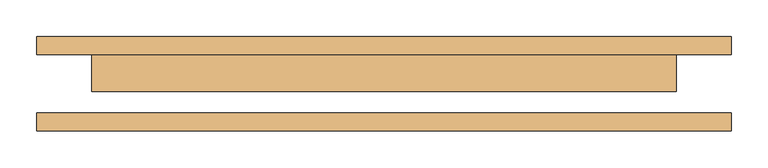
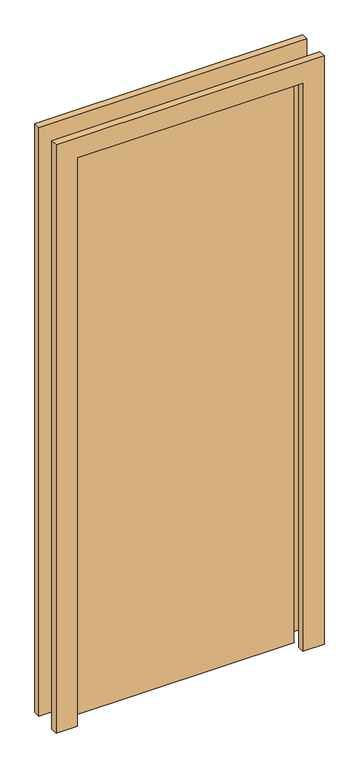
"""IFC4 building model written with IfcOpenShell, lengths in millimetres: door geometry."""

from ifc_helpers import new_model, si_unit, frame, origin, origin_with_axes, place, context, project, spatial, polyline, outline, extrude, source, transform, mapped, element, save


def door_342aede9(model_context):
    return source(origin(), model_context, "Body", "SweptSolid", [
        extrude(outline(polyline([(2210.0, -476.0), (0.0, -476.0), (0.0, -400.0), (2134.0, -400.0), (2134.0, 400.0), (0.0, 400.0), (0.0, 476.0), (2210.0, 476.0), (2210.0, -476.0)])), frame((0.0, 40.0, 0.0), z_axis=(0.0, 1.0, 0.0), x_axis=(0.0, 0.0, 1.0)), (0.0, 0.0, 1.0), 25.0),
        extrude(outline(polyline([(2210.0, 476.0), (2210.0, -476.0), (0.0, -476.0), (0.0, -400.0), (2134.0, -400.0), (2134.0, 400.0), (0.0, 400.0), (0.0, 476.0), (2210.0, 476.0)])), frame((0.0, -65.0, 0.0), z_axis=(0.0, 1.0, 0.0), x_axis=(0.0, 0.0, 1.0)), (0.0, 0.0, 1.0), 25.0),
        extrude(outline(polyline([(400.0, -11.0), (-400.0, -11.0), (-400.0, 40.0), (400.0, 40.0), (400.0, -11.0)])), origin_with_axes(), (0.0, 0.0, 1.0), 2134.0),
    ])


if __name__ == "__main__":
    model = new_model("IFC4")
    model_context = context("Model", 3, world=origin())
    ifc_project = project(units=[si_unit("LENGTHUNIT", "METRE", prefix="MILLI")], contexts=[model_context])
    site = spatial("IfcSite", under=ifc_project)
    building = spatial("IfcBuilding", under=site)
    placement = place(None, origin())
    door_shape = door_342aede9(model_context)
    element("IfcDoor", 1, at=placement, inside=building, context=model_context, shape_type="MappedRepresentation", body=[
        mapped(door_shape, transform((0.0, 0.0, 0.0), x_axis=(1.0, 0.0, 0.0), y_axis=(0.0, 1.0, 0.0), z_axis=(0.0, 0.0, 1.0))),
    ])
    save(model, "model.ifc")
